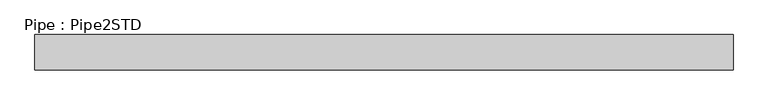
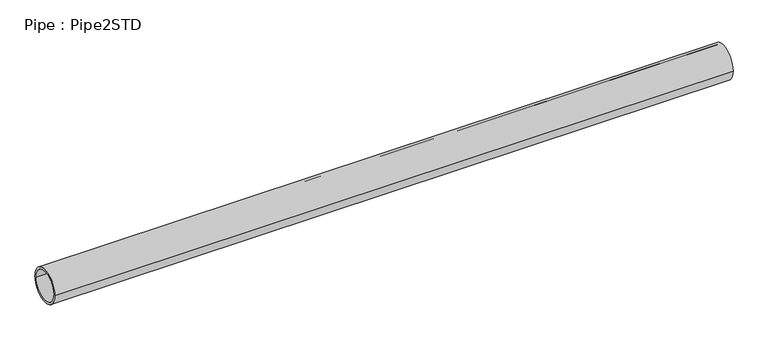
"""IFC4 building model written with IfcOpenShell, lengths in millimetres: member geometry, Pipe : Pipe2STD."""

from ifc_helpers import new_model, si_unit, point, frame, origin, origin_2d, place, context, project, spatial, circle_curve, trimmed, segment, composite_curve, outline, extrude, source, transform, mapped, element, save


def pipe_pipe2std_80cacb68(model_context):
    return source(origin(), model_context, "Body", "SweptSolid", [
        extrude(outline(composite_curve([segment(trimmed(circle_curve(origin_2d(), 30.1625), [point((-30.1625, 0.0))], [point((30.1625, 0.0))], False, "CARTESIAN"), True, "CONTINUOUS"), segment(trimmed(circle_curve(origin_2d(), 30.1625), [point((30.1625, 0.0))], [point((-30.1625, 0.0))], False, "CARTESIAN"), True, "CONTINUOUS")], self_intersect=False), holes=[composite_curve([segment(trimmed(circle_curve(origin_2d(), 26.2509), [point((26.2509, 0.0))], [point((-26.2509, 0.0))], True, "CARTESIAN"), True, "CONTINUOUS"), segment(trimmed(circle_curve(origin_2d(), 26.2509), [point((-26.2509, 0.0))], [point((26.2509, 0.0))], True, "CARTESIAN"), True, "CONTINUOUS")], self_intersect=False)]), frame((-547.7552306, 0.0, 0.0), z_axis=(1.0, 0.0, 0.0), x_axis=(0.0, 1.0, 0.0)), (0.0, 0.0, 1.0), 1185.7177486),
    ])


if __name__ == "__main__":
    model = new_model("IFC4")
    model_context = context("Model", 3, world=origin())
    ifc_project = project(units=[si_unit("LENGTHUNIT", "METRE", prefix="MILLI")], contexts=[model_context])
    site = spatial("IfcSite", under=ifc_project)
    building = spatial("IfcBuilding", under=site)
    placement = place(None, origin())
    pipe_pipe2std_shape = pipe_pipe2std_80cacb68(model_context)
    element("IfcMember", 1, ObjectType="Pipe : Pipe2STD", at=placement, inside=building, context=model_context, shape_type="MappedRepresentation", body=[
        mapped(pipe_pipe2std_shape, transform((0.0, 0.0, 0.0), x_axis=(1.0, 0.0, 0.0), y_axis=(0.0, 1.0, 0.0), z_axis=(0.0, 0.0, 1.0))),
    ])
    save(model, "model.ifc")
